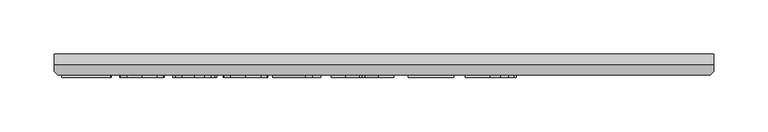
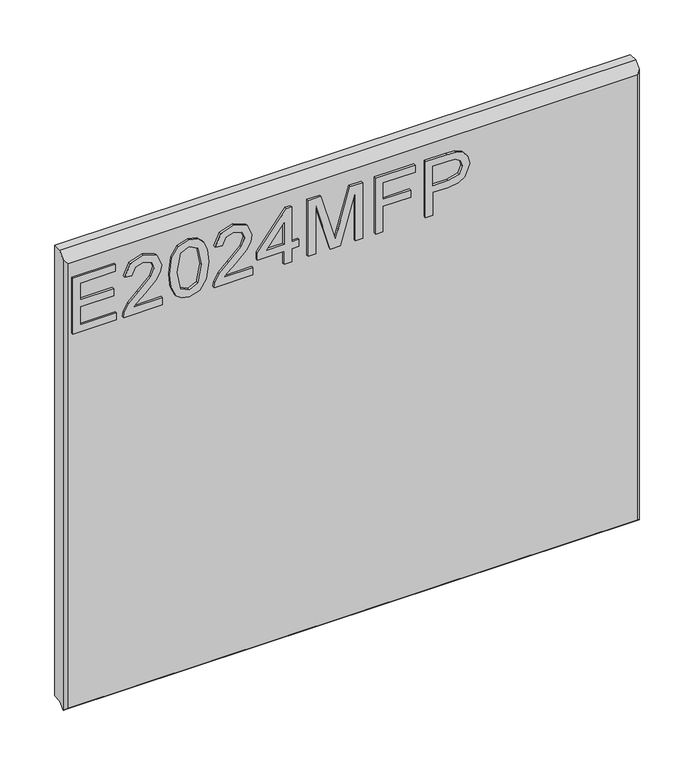
"""IFC4 building model written with IfcOpenShell, lengths in millimetres: furniture geometry."""

from ifc_helpers import new_model, si_unit, frame, origin, place, context, project, spatial, polyline, outline, extrude, faceted_brep, source, transform, mapped, element, save


def furniture_c914e70b(model_context):
    return source(origin(), model_context, "Body", "SolidModel", [
        extrude(outline(polyline([(1523.7940484, -279.2238335), (1523.7940484, -233.3084489), (1531.609433, -233.3084489), (1531.609433, -271.4084489), (1552.1248176, -271.4084489), (1552.1248176, -236.2392182), (1559.9402023, -236.2392182), (1559.9402023, -271.4084489), (1578.5017407, -271.4084489), (1578.5017407, -234.285372), (1586.3171253, -234.285372), (1586.3171253, -279.2238335), (1523.7940484, -279.2238335)])), frame((0.0, -21.9273438, 0.0), z_axis=(0.0, 1.0, 0.0), x_axis=(0.0, 0.0, 1.0)), (0.0, 0.0, 1.0), 2.38125),
        extrude(outline(polyline([(1531.609433, -184.4622951), (1531.609433, -215.1590499), (1535.5858152, -211.6329682), (1543.1035436, -202.642223), (1553.8115364, -191.4457686), (1561.4742768, -186.8282807), (1568.8851542, -185.4392182), (1581.3103946, -190.5909609), (1586.3171253, -204.5808047), (1581.8141205, -218.5248552), (1568.73251, -224.5161412), (1567.7555869, -216.7007566), (1575.6472936, -213.4112734), (1578.5017407, -204.7487134), (1575.5786037, -196.437235), (1568.4119571, -193.2546028), (1559.5585917, -196.6280403), (1546.5380388, -210.1217903), (1537.4786037, -219.9062855), (1529.1823898, -224.653521), (1523.7940484, -225.4930643), (1523.7940484, -184.4622951), (1531.609433, -184.4622951)])), frame((0.0, -21.9273438, 0.0), z_axis=(0.0, 1.0, 0.0), x_axis=(0.0, 0.0, 1.0)), (0.0, 0.0, 1.0), 2.38125),
        extrude(outline(polyline([(1554.5518609, -176.6469105), (1539.3446794, -175.0899393), (1528.7702503, -170.4190259), (1524.3054066, -164.2521989), (1522.8171253, -156.1315259), (1526.2439883, -144.6908408), (1536.6390604, -137.8905403), (1554.5518609, -135.6161412), (1569.2438681, -137.0357326), (1578.4941085, -140.6991941), (1584.3022215, -147.0034009), (1586.3171253, -156.1315259), (1582.913159, -167.5264177), (1572.5409835, -174.3496148), (1554.5518609, -176.6469105)]), holes=[polyline([(1554.5671253, -168.8315259), (1574.3192888, -165.0459489), (1578.5017407, -156.2231124), (1573.7545051, -146.972872), (1554.5671253, -143.4315259), (1535.1736758, -147.0949874), (1530.63251, -156.1315259), (1535.1584114, -165.1680643), (1554.5671253, -168.8315259)])]), frame((0.0, -21.9273438, 0.0), z_axis=(0.0, 1.0, 0.0), x_axis=(0.0, 0.0, 1.0)), (0.0, 0.0, 1.0), 2.38125),
        extrude(outline(polyline([(1531.609433, -88.7238335), (1531.609433, -119.4205884), (1535.5858152, -115.8945066), (1543.1035436, -106.9037614), (1553.8115364, -95.7073071), (1561.4742768, -91.0898191), (1568.8851542, -89.7007566), (1581.3103946, -94.8524994), (1586.3171253, -108.8423432), (1581.8141205, -122.7863936), (1568.73251, -128.7776797), (1567.7555869, -120.9622951), (1575.6472936, -117.6728119), (1578.5017407, -109.0102518), (1575.5786037, -100.6987734), (1568.4119571, -97.5161412), (1559.5585917, -100.8895787), (1546.5380388, -114.3833287), (1537.4786037, -124.1678239), (1529.1823898, -128.9150595), (1523.7940484, -129.7546028), (1523.7940484, -88.7238335), (1531.609433, -88.7238335)])), frame((0.0, -21.9273438, 0.0), z_axis=(0.0, 1.0, 0.0), x_axis=(0.0, 0.0, 1.0)), (0.0, 0.0, 1.0), 2.38125),
        extrude(outline(polyline([(1523.7940484, -55.5084489), (1523.7940484, -47.6930643), (1538.4478946, -47.6930643), (1538.4478946, -39.8776797), (1546.2632792, -39.8776797), (1546.2632792, -47.6930643), (1585.3402023, -47.6930643), (1585.3402023, -53.5546028), (1546.2632792, -83.8392182), (1538.4478946, -83.8392182), (1538.4478946, -55.5084489), (1523.7940484, -55.5084489)]), holes=[polyline([(1546.2632792, -55.5084489), (1546.2632792, -74.2226316), (1570.4115965, -55.5084489), (1546.2632792, -55.5084489)])]), frame((0.0, -21.9273438, 0.0), z_axis=(0.0, 1.0, 0.0), x_axis=(0.0, 0.0, 1.0)), (0.0, 0.0, 1.0), 2.38125),
        extrude(outline(polyline([(1523.7940484, -30.1084489), (1523.7940484, -22.2930643), (1578.5017407, -22.2930643), (1523.7940484, -6.585973), (1523.7940484, 4.0075366), (1578.5017407, 19.714628), (1523.7940484, 19.714628), (1523.7940484, 27.5300126), (1586.3171253, 27.5300126), (1586.3171253, 14.0820559), (1543.0119571, 1.5041713), (1533.0442888, -1.2892182), (1542.2487359, -3.8689057), (1586.3171253, -16.6604922), (1586.3171253, -30.1084489), (1523.7940484, -30.1084489)])), frame((0.0, -21.9273438, 0.0), z_axis=(0.0, 1.0, 0.0), x_axis=(0.0, 0.0, 1.0)), (0.0, 0.0, 1.0), 2.38125),
        extrude(outline(polyline([(1523.7940484, 41.2069357), (1523.7940484, 49.0223203), (1552.1248176, 49.0223203), (1552.1248176, 78.3300126), (1559.9402023, 78.3300126), (1559.9402023, 49.0223203), (1578.5017407, 49.0223203), (1578.5017407, 83.214628), (1586.3171253, 83.214628), (1586.3171253, 41.2069357), (1523.7940484, 41.2069357)])), frame((0.0, -21.9273438, 0.0), z_axis=(0.0, 1.0, 0.0), x_axis=(0.0, 0.0, 1.0)), (0.0, 0.0, 1.0), 2.38125),
        extrude(outline(polyline([(1523.7940484, 93.9607818), (1523.7940484, 101.7761665), (1549.1940484, 101.7761665), (1549.1940484, 117.6664309), (1550.5754787, 128.7693906), (1554.7197696, 135.8234621), (1568.228784, 140.8530895), (1576.7539643, 138.9908299), (1582.7986758, 134.0680535), (1585.7218128, 126.474003), (1586.3171253, 117.1321761), (1586.3171253, 93.9607818), (1523.7940484, 93.9607818)]), holes=[polyline([(1557.009433, 101.7761665), (1578.5017407, 101.7761665), (1578.5017407, 117.9411905), (1577.9674859, 125.7565751), (1574.4261398, 131.0304333), (1567.9540244, 133.0377049), (1559.8791446, 129.6337386), (1557.009433, 118.1243636), (1557.009433, 101.7761665)])]), frame((0.0, -21.9273438, 0.0), z_axis=(0.0, 1.0, 0.0), x_axis=(0.0, 0.0, 1.0)), (0.0, 0.0, 1.0), 2.38125),
        faceted_brep([(323.5377049, 0.0, 1612.6940484), (-286.0622951, 0.0, 1612.6940484), (-286.0622951, -9.7234375, 1612.6940484), (323.5377049, -9.7234375, 1612.6940484), (-286.0622951, 0.0, 1108.1222661), (323.5377049, 0.0, 1108.1222661), (323.5377049, -10.0210916, 1108.1222661), (-286.0622951, -10.0210916, 1108.1222661), (-286.0622951, -16.3710916, 1101.7722661), (-286.0622951, -16.3710938, 1606.0463922), (320.3627049, -19.5460937, 1602.8713922), (-282.8872951, -19.5460937, 1602.8713922), (-282.8872951, -19.5460937, 1104.9472661), (320.362707, -19.5460937, 1104.9472661), (323.5377049, -16.3710938, 1606.0463922), (323.5377049, -16.3710938, 1101.7722661)], [[[0, 1, 2, 3]], [[4, 5, 6, 7]], [[1, 4, 7, 8, 9, 2]], [[10, 11, 12, 13]], [[5, 0, 3, 14, 15, 6]], [[1, 0, 5, 4]], [[3, 2, 9, 11, 10, 14]], [[6, 15, 8, 7]], [[8, 15, 13, 12]], [[9, 8, 12, 11]], [[10, 13, 15, 14]]]),
    ])


if __name__ == "__main__":
    model = new_model("IFC4")
    model_context = context("Model", 3, world=origin())
    ifc_project = project(units=[si_unit("LENGTHUNIT", "METRE", prefix="MILLI")], contexts=[model_context])
    site = spatial("IfcSite", under=ifc_project)
    building = spatial("IfcBuilding", under=site)
    placement = place(None, origin())
    furniture_shape = furniture_c914e70b(model_context)
    element("IfcFurniture", 1, at=placement, inside=building, context=model_context, shape_type="MappedRepresentation", body=[
        mapped(furniture_shape, transform((0.0, 0.0, 0.0), x_axis=(1.0, 0.0, 0.0), y_axis=(0.0, 1.0, 0.0), z_axis=(0.0, 0.0, 1.0))),
    ])
    save(model, "model.ifc")
